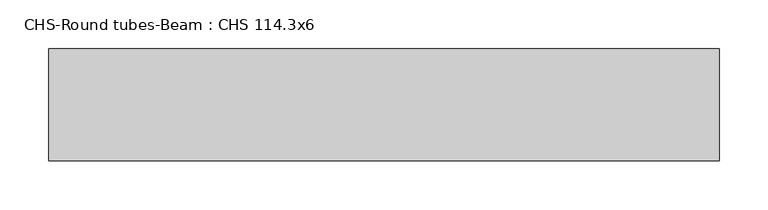
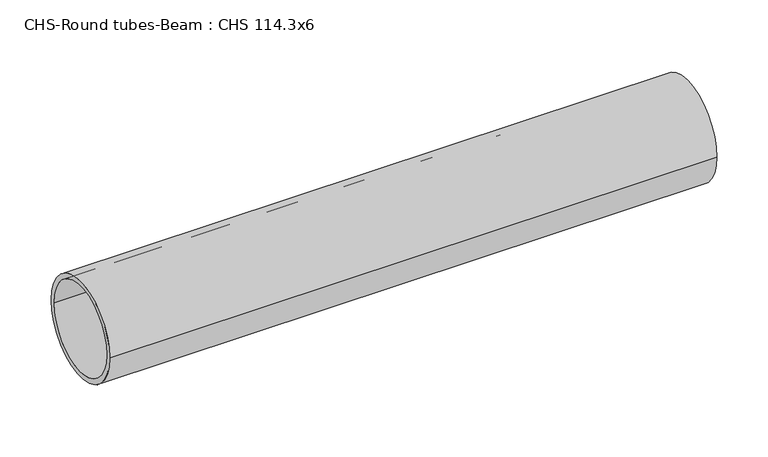
"""IFC4 building model written with IfcOpenShell, lengths in millimetres: beam geometry, CHS-Round tubes-Beam : CHS 114.3x6."""

from ifc_helpers import new_model, si_unit, point, frame, origin, origin_2d, place, context, project, spatial, circle_curve, trimmed, segment, composite_curve, outline, extrude, source, transform, mapped, element, save


def chs_round_tubes_beam_chs_114_3x6_2377eabb(model_context):
    return source(origin(), model_context, "Body", "SweptSolid", [
        extrude(outline(composite_curve([segment(trimmed(circle_curve(origin_2d(), 57.15), [point((57.15, 0.0))], [point((-57.15, 0.0))], False, "CARTESIAN"), True, "CONTINUOUS"), segment(trimmed(circle_curve(origin_2d(), 57.15), [point((-57.15, 0.0))], [point((57.15, 0.0))], False, "CARTESIAN"), True, "CONTINUOUS")], self_intersect=False), holes=[composite_curve([segment(trimmed(circle_curve(origin_2d(), 51.15), [point((51.15, 0.0))], [point((-51.15, 0.0))], True, "CARTESIAN"), True, "CONTINUOUS"), segment(trimmed(circle_curve(origin_2d(), 51.15), [point((-51.15, 0.0))], [point((51.15, 0.0))], True, "CARTESIAN"), True, "CONTINUOUS")], self_intersect=False)]), frame((-301.983117, 0.0, 0.0), z_axis=(1.0, 0.0, 0.0), x_axis=(0.0, 1.0, 0.0)), (0.0, 0.0, 1.0), 685.0056926),
    ])


if __name__ == "__main__":
    model = new_model("IFC4")
    model_context = context("Model", 3, world=origin())
    ifc_project = project(units=[si_unit("LENGTHUNIT", "METRE", prefix="MILLI")], contexts=[model_context])
    site = spatial("IfcSite", under=ifc_project)
    building = spatial("IfcBuilding", under=site)
    placement = place(None, origin())
    chs_round_tubes_beam_chs_114_3x6_shape = chs_round_tubes_beam_chs_114_3x6_2377eabb(model_context)
    element("IfcBeam", 1, ObjectType="CHS-Round tubes-Beam : CHS 114.3x6", at=placement, inside=building, context=model_context, shape_type="MappedRepresentation", body=[
        mapped(chs_round_tubes_beam_chs_114_3x6_shape, transform((0.0, 0.0, 0.0), x_axis=(1.0, 0.0, 0.0), y_axis=(0.0, 1.0, 0.0), z_axis=(0.0, 0.0, 1.0))),
    ])
    save(model, "model.ifc")
